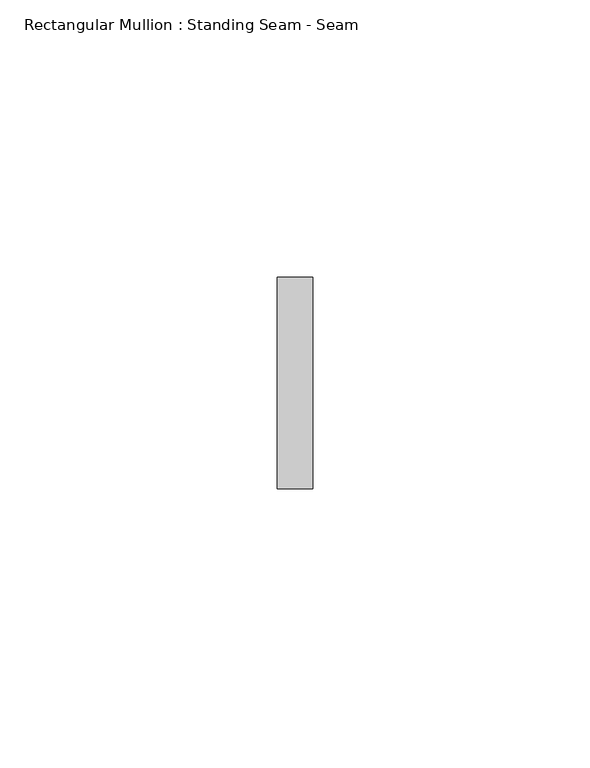
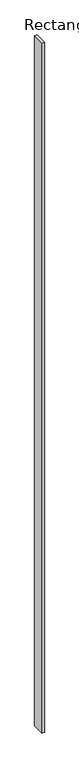
"""IFC4 building model written with IfcOpenShell, lengths in millimetres: member geometry, Rectangular Mullion : Standing Seam - Seam."""

from ifc_helpers import new_model, si_unit, frame, origin, place, context, project, spatial, polyline, outline, extrude, source, transform, mapped, element, save


def rectangular_mullion_standing_seam_seam_9f72b29a(model_context):
    return source(origin(), model_context, "Body", "SweptSolid", [
        extrude(outline(polyline([(3.175, 41.275), (3.175, 3.175), (-3.175, 3.175), (-3.175, 41.275), (3.175, 41.275)])), frame((0.0, 0.0, -2143.8120428), z_axis=(0.0, 0.0, 1.0), x_axis=(1.0, 0.0, 0.0)), (0.0, 0.0, 1.0), 2143.8120428),
    ])


if __name__ == "__main__":
    model = new_model("IFC4")
    model_context = context("Model", 3, world=origin())
    ifc_project = project(units=[si_unit("LENGTHUNIT", "METRE", prefix="MILLI")], contexts=[model_context])
    site = spatial("IfcSite", under=ifc_project)
    building = spatial("IfcBuilding", under=site)
    placement = place(None, origin())
    rectangular_mullion_standing_seam_seam_shape = rectangular_mullion_standing_seam_seam_9f72b29a(model_context)
    element("IfcMember", 1, ObjectType="Rectangular Mullion : Standing Seam - Seam", at=placement, inside=building, context=model_context, shape_type="MappedRepresentation", body=[
        mapped(rectangular_mullion_standing_seam_seam_shape, transform((0.0, 0.0, 0.0), x_axis=(1.0, 0.0, 0.0), y_axis=(0.0, 1.0, 0.0), z_axis=(0.0, 0.0, 1.0))),
    ])
    save(model, "model.ifc")
